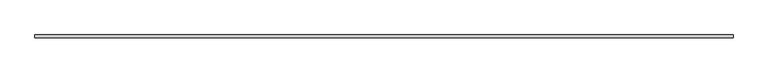
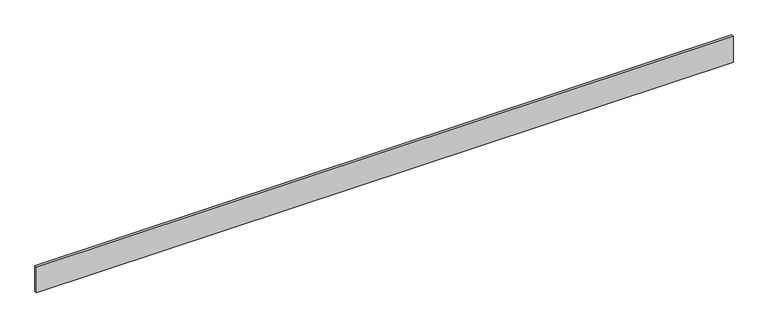
"""IFC4 building model written with IfcOpenShell, lengths in millimetres: furniture geometry."""

from ifc_helpers import new_model, si_unit, origin, origin_with_axes, place, context, project, spatial, polyline, outline, extrude, source, transform, mapped, element, save


def furniture_e3026e25(model_context):
    return source(origin(), model_context, "Body", "SweptSolid", [
        extrude(outline(polyline([(0.0, 0.0), (0.0, 10.0), (2579.0207538, 10.0), (2579.0207538, 0.0), (0.0, 0.0)])), origin_with_axes(), (0.0, 0.0, 1.0), 100.0),
    ])


if __name__ == "__main__":
    model = new_model("IFC4")
    model_context = context("Model", 3, world=origin())
    ifc_project = project(units=[si_unit("LENGTHUNIT", "METRE", prefix="MILLI")], contexts=[model_context])
    site = spatial("IfcSite", under=ifc_project)
    building = spatial("IfcBuilding", under=site)
    placement = place(None, origin())
    furniture_shape = furniture_e3026e25(model_context)
    element("IfcFurniture", 1, at=placement, inside=building, context=model_context, shape_type="MappedRepresentation", body=[
        mapped(furniture_shape, transform((0.0, 0.0, 0.0), x_axis=(1.0, 0.0, 0.0), y_axis=(0.0, 1.0, 0.0), z_axis=(0.0, 0.0, 1.0))),
    ])
    save(model, "model.ifc")
